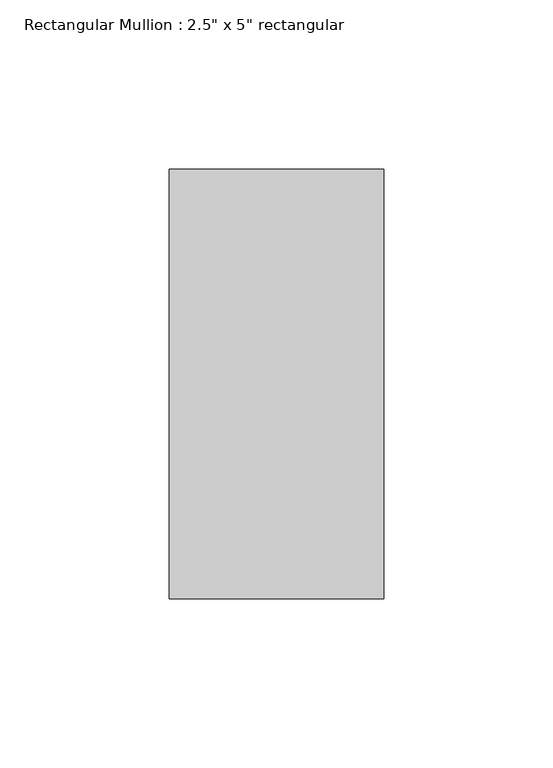
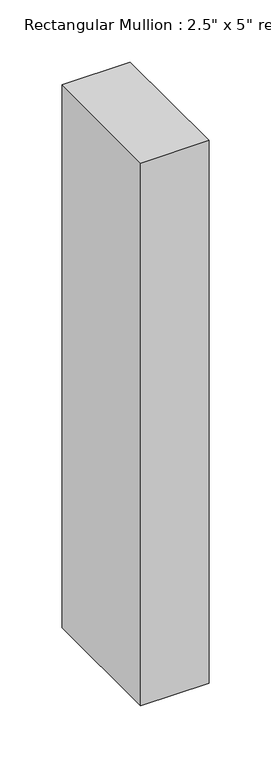
"""IFC4 building model written with IfcOpenShell, lengths in millimetres: member geometry."""

from ifc_helpers import new_model, si_unit, frame, origin, place, context, project, spatial, polyline, outline, extrude, source, transform, mapped, element, save


def member_b281fab0(model_context):
    return source(origin(), model_context, "Body", "SweptSolid", [
        extrude(outline(polyline([(0.0, 63.5), (0.0, -63.5), (-63.5, -63.5), (-63.5, 63.5), (0.0, 63.5)])), frame((0.0, 0.0, -533.4), z_axis=(0.0, 0.0, 1.0), x_axis=(1.0, 0.0, 0.0)), (0.0, 0.0, 1.0), 533.4),
    ])


if __name__ == "__main__":
    model = new_model("IFC4")
    model_context = context("Model", 3, world=origin())
    ifc_project = project(units=[si_unit("LENGTHUNIT", "METRE", prefix="MILLI")], contexts=[model_context])
    site = spatial("IfcSite", under=ifc_project)
    building = spatial("IfcBuilding", under=site)
    placement = place(None, origin())
    member_shape = member_b281fab0(model_context)
    element("IfcMember", 1, ObjectType="Rectangular Mullion : 2.5\" x 5\" rectangular", at=placement, inside=building, context=model_context, shape_type="MappedRepresentation", body=[
        mapped(member_shape, transform((0.0, 0.0, 0.0), x_axis=(1.0, 0.0, 0.0), y_axis=(0.0, 1.0, 0.0), z_axis=(0.0, 0.0, 1.0))),
    ])
    save(model, "model.ifc")
